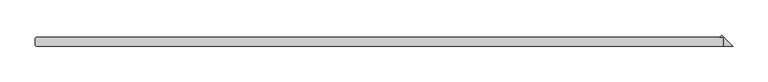
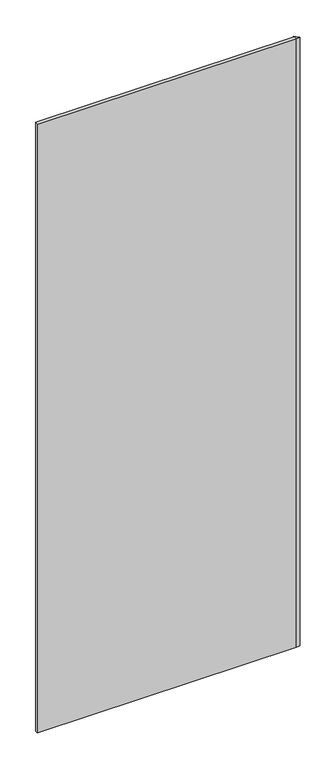
"""IFC4 building model written with IfcOpenShell, lengths in millimetres: plate geometry."""

import ifcopenshell
import ifcopenshell.guid

model = None  # the IFC model being written
_history = None  # IfcOwnerHistory: only IFC2X3 demands one
_inside = {}  # id of a spatial element -> (the spatial element, [elements in it])
_under = {}  # id of a project, library or spatial element -> (it, [spatial elements below it])
_declared = {}  # id of a project -> (the project, [libraries it declares])
_typed = {}  # id of a type object -> (the type object, [elements of that type])
_made_of = {}  # id of a material, layer set ... -> (it, [elements and type objects made of it])


def new_model(schema):
    """Start an empty IFC model of exactly this schema.

    Asked for "IFC4X3", IfcOpenShell would pick the latest addendum, in which some entities
    have other attributes; the version numbers below select the first issue.
    IFC2X3 requires an IfcOwnerHistory on every rooted entity: one is made here for all.
    """
    global model, _history
    if schema == "IFC4X3":
        model = ifcopenshell.file(schema_version=(4, 3, 0, 0))
    else:
        model = ifcopenshell.file(schema=schema)
    _inside.clear()
    _under.clear()
    _declared.clear()
    _typed.clear()
    _made_of.clear()
    _history = None
    if model.schema == "IFC2X3":
        org = make("IfcOrganization", Name="unknown")
        user = make(
            "IfcPersonAndOrganization",
            ThePerson=make("IfcPerson", FamilyName="unknown"),
            TheOrganization=org,
        )
        app = make(
            "IfcApplication",
            ApplicationDeveloper=org,
            Version="unknown",
            ApplicationFullName="unknown",
            ApplicationIdentifier="unknown",
        )
        _history = make(
            "IfcOwnerHistory",
            OwningUser=user,
            OwningApplication=app,
            ChangeAction="ADDED",
            CreationDate=0,
        )
    return model


def make(cls, **values):
    """One entity of the class cls with the attributes given. An attribute that is None is left unset."""
    return model.create_entity(
        cls, **{name: value for name, value in values.items() if value is not None}
    )


def rooted(cls, **values):
    """An entity with a GlobalId (a new one), such as an element, a storey or a relation."""
    return make(cls, GlobalId=ifcopenshell.guid.new(), OwnerHistory=_history, **values)


def si_unit(unit_type, name, prefix=None):
    """IfcSIUnit, for example si_unit("LENGTHUNIT", "METRE", prefix="MILLI")."""
    return make("IfcSIUnit", UnitType=unit_type, Prefix=prefix, Name=name)


def assignment(units):
    """IfcUnitAssignment: the units of a project."""
    return None if units is None else make("IfcUnitAssignment", Units=units)


def point(xyz):
    """IfcCartesianPoint."""
    return None if xyz is None else make("IfcCartesianPoint", Coordinates=xyz)


def direction(xyz):
    """IfcDirection."""
    return None if xyz is None else make("IfcDirection", DirectionRatios=xyz)


def frame(location, z_axis=None, x_axis=None):
    """IfcAxis2Placement3D, a coordinate frame: its origin and axes. An axis left out is left unset."""
    return make(
        "IfcAxis2Placement3D",
        Location=point(location),
        Axis=direction(z_axis),
        RefDirection=direction(x_axis),
    )


def origin():
    """The frame at (0, 0, 0) with its axes left unset."""
    return frame((0.0, 0.0, 0.0))


def origin_with_axes():
    """The frame at (0, 0, 0) with the z axis (0, 0, 1) and the x axis (1, 0, 0) written out."""
    return frame((0.0, 0.0, 0.0), z_axis=(0.0, 0.0, 1.0), x_axis=(1.0, 0.0, 0.0))


def place(relative_to, where):
    """IfcLocalPlacement: puts the frame where relative to a parent placement (None: the world)."""
    return make(
        "IfcLocalPlacement", PlacementRelTo=relative_to, RelativePlacement=where
    )


def context(
    kind, dimensions, precision=None, world=None, true_north=None, identifier=None
):
    """IfcGeometricRepresentationContext, for example the 3D "Model" context."""
    return make(
        "IfcGeometricRepresentationContext",
        ContextIdentifier=identifier,
        ContextType=kind,
        CoordinateSpaceDimension=dimensions,
        Precision=precision,
        WorldCoordinateSystem=world,
        TrueNorth=true_north,
    )


def project(units=None, contexts=None):
    """IfcProject with its units and contexts."""
    return rooted(
        "IfcProject",
        Name="project",
        RepresentationContexts=contexts,
        UnitsInContext=assignment(units),
    )


def spatial(cls, under=None, at=None, **own):
    """A site, building, storey or space (cls), placed at a placement, below another one or the project."""
    s = rooted(cls, ObjectPlacement=at, **own)
    if under is not None:
        _under.setdefault(under.id(), (under, []))[1].append(s)
    return s


def polyline(points):
    """IfcPolyline through the points."""
    return make("IfcPolyline", Points=[point(p) for p in points])


def outline(outer, holes=None, kind="AREA"):
    """IfcArbitraryClosedProfileDef: a profile drawn as a closed curve; with holes, ...WithVoids."""
    if holes is None:
        return make("IfcArbitraryClosedProfileDef", ProfileType=kind, OuterCurve=outer)
    return make(
        "IfcArbitraryProfileDefWithVoids",
        ProfileType=kind,
        OuterCurve=outer,
        InnerCurves=holes,
    )


def extrude(swept, where, along, depth):
    """IfcExtrudedAreaSolid: the profile swept, set in the frame where, extruded along a direction by depth."""
    return make(
        "IfcExtrudedAreaSolid",
        SweptArea=swept,
        Position=where,
        ExtrudedDirection=direction(along),
        Depth=depth,
    )


def shape(context_of_items, identifier, shape_type, items):
    """IfcShapeRepresentation: the items that make up one representation, for example the "Body"."""
    return make(
        "IfcShapeRepresentation",
        ContextOfItems=context_of_items,
        RepresentationIdentifier=identifier,
        RepresentationType=shape_type,
        Items=items,
    )


def source(mapping_origin, context_of_items, identifier, shape_type, items):
    """IfcRepresentationMap: a shape defined once, which mapped items show again and again."""
    return make(
        "IfcRepresentationMap",
        MappingOrigin=mapping_origin,
        MappedRepresentation=shape(context_of_items, identifier, shape_type, items),
    )


def transform(
    local_origin,
    x_axis=None,
    y_axis=None,
    z_axis=None,
    scale=None,
    scale2=None,
    scale3=None,
    uniform=True,
):
    """IfcCartesianTransformationOperator3D, or its non-uniform kind. x_axis, y_axis, z_axis: its Axis1, 2, 3."""
    if uniform:
        return make(
            "IfcCartesianTransformationOperator3D",
            Axis1=direction(x_axis),
            Axis2=direction(y_axis),
            LocalOrigin=point(local_origin),
            Scale=scale,
            Axis3=direction(z_axis),
        )
    return make(
        "IfcCartesianTransformationOperator3DnonUniform",
        Axis1=direction(x_axis),
        Axis2=direction(y_axis),
        LocalOrigin=point(local_origin),
        Scale=scale,
        Axis3=direction(z_axis),
        Scale2=scale2,
        Scale3=scale3,
    )


def mapped(mapping_source, mapping_target):
    """IfcMappedItem: shows the shape of a source again, moved by a transform."""
    return make(
        "IfcMappedItem", MappingSource=mapping_source, MappingTarget=mapping_target
    )


def made_of(thing, what):
    """Note that an element or type object is made of a material, layer set ...; save() writes the relation."""
    if what is not None:
        _made_of.setdefault(what.id(), (what, []))[1].append(thing)
    return thing


def element(
    cls,
    number,
    at=None,
    inside=None,
    cuts=None,
    type_object=None,
    material=None,
    context=None,
    identifier="Body",
    shape_type=None,
    held_by="IfcProductDefinitionShape",
    body=None,
    shapes=None,
    **own,
):
    """One element of the class cls, such as IfcWall. Its Tag is "e" and its number.

    at: its placement. inside: the storey or other place that contains it. cuts: it is an
    opening in that element (IfcRelVoidsElement). A single representation is given by context,
    identifier, shape_type and body (its items); several are given by shapes. held_by: the class
    of the entity that holds the representations. save() writes the other relations.
    """
    e = rooted(cls, Tag="e%d" % number, ObjectPlacement=at, **own)
    if body is not None:
        shapes = [shape(context, identifier, shape_type, body)]
    if shapes is not None:
        e.Representation = make(held_by, Representations=shapes)
    if inside is not None:
        _inside.setdefault(inside.id(), (inside, []))[1].append(e)
    if cuts is not None:
        rooted(
            "IfcRelVoidsElement", RelatingBuildingElement=cuts, RelatedOpeningElement=e
        )
    if type_object is not None:
        _typed.setdefault(type_object.id(), (type_object, []))[1].append(e)
    return made_of(e, material)


def aggregate(whole, parts):
    """IfcRelAggregates: a whole, such as a stair, and the parts it consists of."""
    return rooted("IfcRelAggregates", RelatingObject=whole, RelatedObjects=parts)


def save(model, path):
    """Write the relations noted so far, then the file.

    IfcRelAggregates (storeys below a building ...), IfcRelContainedInSpatialStructure (elements
    in a storey), IfcRelDefinesByType, IfcRelAssociatesMaterial and IfcRelDeclares: one each for
    every whole, place, type object, material and project.
    """
    for whole, parts in _under.values():
        aggregate(whole, parts)
    for where, things in _inside.values():
        rooted(
            "IfcRelContainedInSpatialStructure",
            RelatedElements=things,
            RelatingStructure=where,
        )
    for kind, things in _typed.values():
        rooted("IfcRelDefinesByType", RelatedObjects=things, RelatingType=kind)
    for what, things in _made_of.values():
        rooted("IfcRelAssociatesMaterial", RelatedObjects=things, RelatingMaterial=what)
    for by, libraries in _declared.values():
        rooted("IfcRelDeclares", RelatingContext=by, RelatedDefinitions=libraries)
    model.write(path)


def plate_69881d94(model_context):
    return source(origin(), model_context, "Body", "SweptSolid", [
        extrude(outline(polyline([(499.665625, -34.925), (499.665625, -25.4), (498.078125, -23.8125), (494.245561, -23.8125), (496.955593, -21.102468), (512.365625, -36.5125), (498.078125, -36.5125), (499.665625, -34.925)])), origin_with_axes(), (0.0, 0.0, 1.0), 2417.075),
        extrude(outline(polyline([(498.078125, -36.5125), (-474.265625, -36.5125), (-475.853125, -34.925), (-475.853125, -25.4), (-474.265625, -23.8125), (498.078125, -23.8125), (499.665625, -25.4), (499.665625, -34.925), (498.078125, -36.5125)])), origin_with_axes(), (0.0, 0.0, 1.0), 2417.075),
    ])


if __name__ == "__main__":
    model = new_model("IFC4")
    model_context = context("Model", 3, world=origin())
    ifc_project = project(units=[si_unit("LENGTHUNIT", "METRE", prefix="MILLI")], contexts=[model_context])
    site = spatial("IfcSite", under=ifc_project)
    building = spatial("IfcBuilding", under=site)
    placement = place(None, origin())
    plate_shape = plate_69881d94(model_context)
    element("IfcPlate", 1, at=placement, inside=building, context=model_context, shape_type="MappedRepresentation", body=[
        mapped(plate_shape, transform((0.0, 0.0, 0.0), x_axis=(1.0, 0.0, 0.0), y_axis=(0.0, 1.0, 0.0), z_axis=(0.0, 0.0, 1.0))),
    ])
    save(model, "model.ifc")
